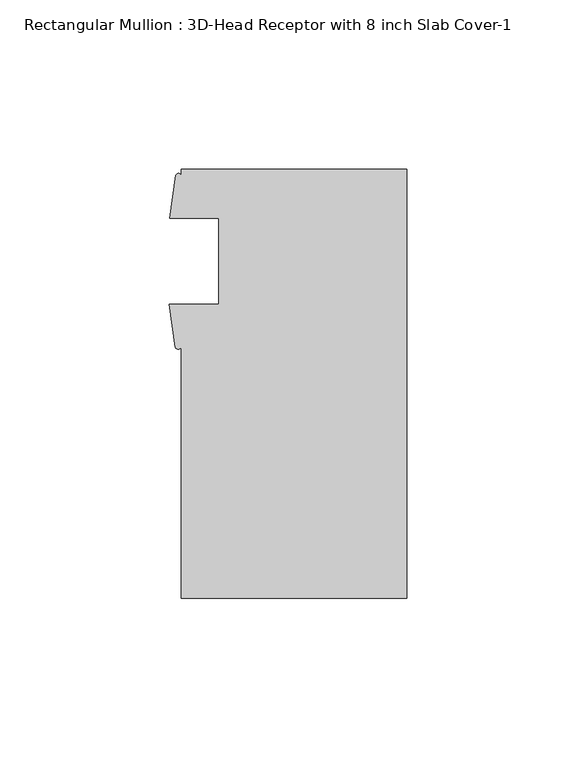
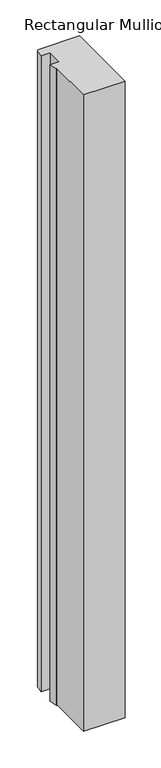
"""IFC4 building model written with IfcOpenShell, lengths in millimetres: member geometry, Rectangular Mullion : 3D-Head Receptor with 8 inch Slab Cover-1."""

import ifcopenshell
import ifcopenshell.guid

model = None  # the IFC model being written
_history = None  # IfcOwnerHistory: only IFC2X3 demands one
_inside = {}  # id of a spatial element -> (the spatial element, [elements in it])
_under = {}  # id of a project, library or spatial element -> (it, [spatial elements below it])
_declared = {}  # id of a project -> (the project, [libraries it declares])
_typed = {}  # id of a type object -> (the type object, [elements of that type])
_made_of = {}  # id of a material, layer set ... -> (it, [elements and type objects made of it])


def new_model(schema):
    """Start an empty IFC model of exactly this schema.

    Asked for "IFC4X3", IfcOpenShell would pick the latest addendum, in which some entities
    have other attributes; the version numbers below select the first issue.
    IFC2X3 requires an IfcOwnerHistory on every rooted entity: one is made here for all.
    """
    global model, _history
    if schema == "IFC4X3":
        model = ifcopenshell.file(schema_version=(4, 3, 0, 0))
    else:
        model = ifcopenshell.file(schema=schema)
    _inside.clear()
    _under.clear()
    _declared.clear()
    _typed.clear()
    _made_of.clear()
    _history = None
    if model.schema == "IFC2X3":
        org = make("IfcOrganization", Name="unknown")
        user = make(
            "IfcPersonAndOrganization",
            ThePerson=make("IfcPerson", FamilyName="unknown"),
            TheOrganization=org,
        )
        app = make(
            "IfcApplication",
            ApplicationDeveloper=org,
            Version="unknown",
            ApplicationFullName="unknown",
            ApplicationIdentifier="unknown",
        )
        _history = make(
            "IfcOwnerHistory",
            OwningUser=user,
            OwningApplication=app,
            ChangeAction="ADDED",
            CreationDate=0,
        )
    return model


def make(cls, **values):
    """One entity of the class cls with the attributes given. An attribute that is None is left unset."""
    return model.create_entity(
        cls, **{name: value for name, value in values.items() if value is not None}
    )


def rooted(cls, **values):
    """An entity with a GlobalId (a new one), such as an element, a storey or a relation."""
    return make(cls, GlobalId=ifcopenshell.guid.new(), OwnerHistory=_history, **values)


def si_unit(unit_type, name, prefix=None):
    """IfcSIUnit, for example si_unit("LENGTHUNIT", "METRE", prefix="MILLI")."""
    return make("IfcSIUnit", UnitType=unit_type, Prefix=prefix, Name=name)


def assignment(units):
    """IfcUnitAssignment: the units of a project."""
    return None if units is None else make("IfcUnitAssignment", Units=units)


def point(xyz):
    """IfcCartesianPoint."""
    return None if xyz is None else make("IfcCartesianPoint", Coordinates=xyz)


def direction(xyz):
    """IfcDirection."""
    return None if xyz is None else make("IfcDirection", DirectionRatios=xyz)


def frame(location, z_axis=None, x_axis=None):
    """IfcAxis2Placement3D, a coordinate frame: its origin and axes. An axis left out is left unset."""
    return make(
        "IfcAxis2Placement3D",
        Location=point(location),
        Axis=direction(z_axis),
        RefDirection=direction(x_axis),
    )


def frame_2d(location, x_axis=None):
    """IfcAxis2Placement2D, a coordinate frame in the plane: its origin and x axis."""
    return make(
        "IfcAxis2Placement2D", Location=point(location), RefDirection=direction(x_axis)
    )


def origin():
    """The frame at (0, 0, 0) with its axes left unset."""
    return frame((0.0, 0.0, 0.0))


def place(relative_to, where):
    """IfcLocalPlacement: puts the frame where relative to a parent placement (None: the world)."""
    return make(
        "IfcLocalPlacement", PlacementRelTo=relative_to, RelativePlacement=where
    )


def context(
    kind, dimensions, precision=None, world=None, true_north=None, identifier=None
):
    """IfcGeometricRepresentationContext, for example the 3D "Model" context."""
    return make(
        "IfcGeometricRepresentationContext",
        ContextIdentifier=identifier,
        ContextType=kind,
        CoordinateSpaceDimension=dimensions,
        Precision=precision,
        WorldCoordinateSystem=world,
        TrueNorth=true_north,
    )


def project(units=None, contexts=None):
    """IfcProject with its units and contexts."""
    return rooted(
        "IfcProject",
        Name="project",
        RepresentationContexts=contexts,
        UnitsInContext=assignment(units),
    )


def spatial(cls, under=None, at=None, **own):
    """A site, building, storey or space (cls), placed at a placement, below another one or the project."""
    s = rooted(cls, ObjectPlacement=at, **own)
    if under is not None:
        _under.setdefault(under.id(), (under, []))[1].append(s)
    return s


def polyline(points):
    """IfcPolyline through the points."""
    return make("IfcPolyline", Points=[point(p) for p in points])


def circle_curve(where, radius):
    """IfcCircle in the frame where."""
    return make("IfcCircle", Position=where, Radius=radius)


def trimmed(basis, trim1, trim2, sense, master):
    """IfcTrimmedCurve: the piece of a basis curve between two trims."""
    return make(
        "IfcTrimmedCurve",
        BasisCurve=basis,
        Trim1=trim1,
        Trim2=trim2,
        SenseAgreement=sense,
        MasterRepresentation=master,
    )


def segment(curve, same_sense, transition):
    """IfcCompositeCurveSegment."""
    return make(
        "IfcCompositeCurveSegment",
        Transition=transition,
        SameSense=same_sense,
        ParentCurve=curve,
    )


def composite_curve(segments, self_intersect=None):
    """IfcCompositeCurve: segments joined end to end."""
    return make("IfcCompositeCurve", Segments=segments, SelfIntersect=self_intersect)


def outline(outer, holes=None, kind="AREA"):
    """IfcArbitraryClosedProfileDef: a profile drawn as a closed curve; with holes, ...WithVoids."""
    if holes is None:
        return make("IfcArbitraryClosedProfileDef", ProfileType=kind, OuterCurve=outer)
    return make(
        "IfcArbitraryProfileDefWithVoids",
        ProfileType=kind,
        OuterCurve=outer,
        InnerCurves=holes,
    )


def extrude(swept, where, along, depth):
    """IfcExtrudedAreaSolid: the profile swept, set in the frame where, extruded along a direction by depth."""
    return make(
        "IfcExtrudedAreaSolid",
        SweptArea=swept,
        Position=where,
        ExtrudedDirection=direction(along),
        Depth=depth,
    )


def shape(context_of_items, identifier, shape_type, items):
    """IfcShapeRepresentation: the items that make up one representation, for example the "Body"."""
    return make(
        "IfcShapeRepresentation",
        ContextOfItems=context_of_items,
        RepresentationIdentifier=identifier,
        RepresentationType=shape_type,
        Items=items,
    )


def source(mapping_origin, context_of_items, identifier, shape_type, items):
    """IfcRepresentationMap: a shape defined once, which mapped items show again and again."""
    return make(
        "IfcRepresentationMap",
        MappingOrigin=mapping_origin,
        MappedRepresentation=shape(context_of_items, identifier, shape_type, items),
    )


def transform(
    local_origin,
    x_axis=None,
    y_axis=None,
    z_axis=None,
    scale=None,
    scale2=None,
    scale3=None,
    uniform=True,
):
    """IfcCartesianTransformationOperator3D, or its non-uniform kind. x_axis, y_axis, z_axis: its Axis1, 2, 3."""
    if uniform:
        return make(
            "IfcCartesianTransformationOperator3D",
            Axis1=direction(x_axis),
            Axis2=direction(y_axis),
            LocalOrigin=point(local_origin),
            Scale=scale,
            Axis3=direction(z_axis),
        )
    return make(
        "IfcCartesianTransformationOperator3DnonUniform",
        Axis1=direction(x_axis),
        Axis2=direction(y_axis),
        LocalOrigin=point(local_origin),
        Scale=scale,
        Axis3=direction(z_axis),
        Scale2=scale2,
        Scale3=scale3,
    )


def mapped(mapping_source, mapping_target):
    """IfcMappedItem: shows the shape of a source again, moved by a transform."""
    return make(
        "IfcMappedItem", MappingSource=mapping_source, MappingTarget=mapping_target
    )


def made_of(thing, what):
    """Note that an element or type object is made of a material, layer set ...; save() writes the relation."""
    if what is not None:
        _made_of.setdefault(what.id(), (what, []))[1].append(thing)
    return thing


def element(
    cls,
    number,
    at=None,
    inside=None,
    cuts=None,
    type_object=None,
    material=None,
    context=None,
    identifier="Body",
    shape_type=None,
    held_by="IfcProductDefinitionShape",
    body=None,
    shapes=None,
    **own,
):
    """One element of the class cls, such as IfcWall. Its Tag is "e" and its number.

    at: its placement. inside: the storey or other place that contains it. cuts: it is an
    opening in that element (IfcRelVoidsElement). A single representation is given by context,
    identifier, shape_type and body (its items); several are given by shapes. held_by: the class
    of the entity that holds the representations. save() writes the other relations.
    """
    e = rooted(cls, Tag="e%d" % number, ObjectPlacement=at, **own)
    if body is not None:
        shapes = [shape(context, identifier, shape_type, body)]
    if shapes is not None:
        e.Representation = make(held_by, Representations=shapes)
    if inside is not None:
        _inside.setdefault(inside.id(), (inside, []))[1].append(e)
    if cuts is not None:
        rooted(
            "IfcRelVoidsElement", RelatingBuildingElement=cuts, RelatedOpeningElement=e
        )
    if type_object is not None:
        _typed.setdefault(type_object.id(), (type_object, []))[1].append(e)
    return made_of(e, material)


def aggregate(whole, parts):
    """IfcRelAggregates: a whole, such as a stair, and the parts it consists of."""
    return rooted("IfcRelAggregates", RelatingObject=whole, RelatedObjects=parts)


def save(model, path):
    """Write the relations noted so far, then the file.

    IfcRelAggregates (storeys below a building ...), IfcRelContainedInSpatialStructure (elements
    in a storey), IfcRelDefinesByType, IfcRelAssociatesMaterial and IfcRelDeclares: one each for
    every whole, place, type object, material and project.
    """
    for whole, parts in _under.values():
        aggregate(whole, parts)
    for where, things in _inside.values():
        rooted(
            "IfcRelContainedInSpatialStructure",
            RelatedElements=things,
            RelatingStructure=where,
        )
    for kind, things in _typed.values():
        rooted("IfcRelDefinesByType", RelatedObjects=things, RelatingType=kind)
    for what, things in _made_of.values():
        rooted("IfcRelAssociatesMaterial", RelatedObjects=things, RelatingMaterial=what)
    for by, libraries in _declared.values():
        rooted("IfcRelDeclares", RelatingContext=by, RelatedDefinitions=libraries)
    model.write(path)


def rectangular_mullion_3d_head_receptor_with_8_inch_slab_cover_89d68b98(model_context):
    return source(origin(), model_context, "Body", "SweptSolid", [
        extrude(outline(composite_curve([segment(trimmed(circle_curve(frame_2d((-32.4094413, 1.7915983)), 0.9669288), [point((-31.5777391, 1.2984222))], [point((-33.2411435, 1.2984222))], False, "CARTESIAN"), True, "CONTINUOUS"), segment(polyline([(-33.2411435, 1.2984222), (-35.0972609, 14.071475), (-20.4652391, 14.071475), (-20.4652391, 39.471475), (-34.9737391, 39.471475), (-33.1636354, 52.2427625)]), True, "CONTINUOUS"), segment(trimmed(circle_curve(frame_2d((-32.3706873, 51.8105998)), 0.9030677), [point((-33.1636354, 52.2427625))], [point((-31.5777391, 52.2427625))], False, "CARTESIAN"), True, "CONTINUOUS"), segment(polyline([(-31.5777391, 52.2427625), (-31.5777391, 53.975), (35.0972609, 53.975), (35.0972609, -72.771), (-31.5777391, -72.771), (-31.5777391, 1.2984222)]), True, "CONTINUOUS")], self_intersect=False)), frame((0.0, 0.0, -1080.1019351), z_axis=(0.0, 0.0, 1.0), x_axis=(1.0, 0.0, 0.0)), (0.0, 0.0, 1.0), 1080.1019351),
    ])


if __name__ == "__main__":
    model = new_model("IFC4")
    model_context = context("Model", 3, world=origin())
    ifc_project = project(units=[si_unit("LENGTHUNIT", "METRE", prefix="MILLI")], contexts=[model_context])
    site = spatial("IfcSite", under=ifc_project)
    building = spatial("IfcBuilding", under=site)
    placement = place(None, origin())
    rectangular_mullion_3d_head_receptor_with_8_inch_slab_cover_shape = rectangular_mullion_3d_head_receptor_with_8_inch_slab_cover_89d68b98(model_context)
    element("IfcMember", 1, ObjectType="Rectangular Mullion : 3D-Head Receptor with 8 inch Slab Cover-1", at=placement, inside=building, context=model_context, shape_type="MappedRepresentation", body=[
        mapped(rectangular_mullion_3d_head_receptor_with_8_inch_slab_cover_shape, transform((0.0, 0.0, 0.0), x_axis=(1.0, 0.0, 0.0), y_axis=(0.0, 1.0, 0.0), z_axis=(0.0, 0.0, 1.0))),
    ])
    save(model, "model.ifc")
